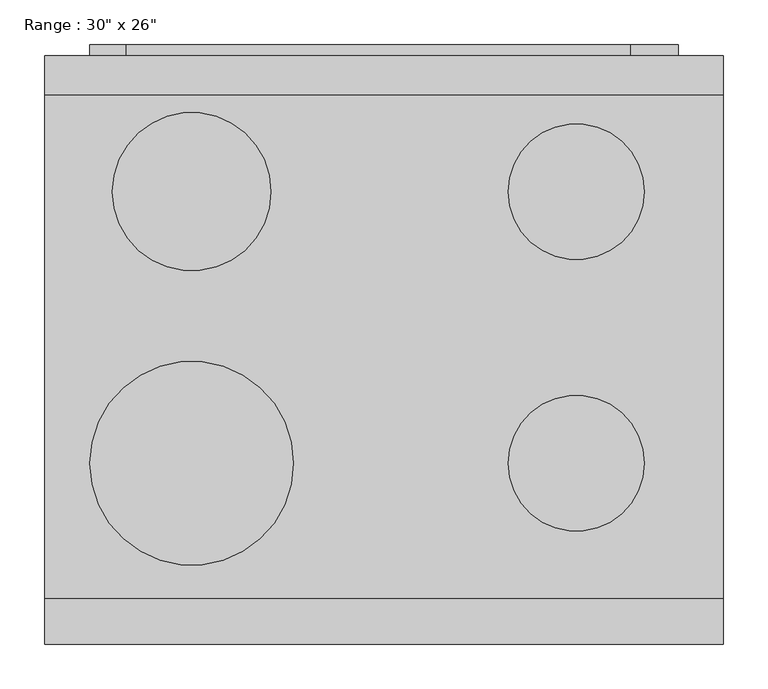
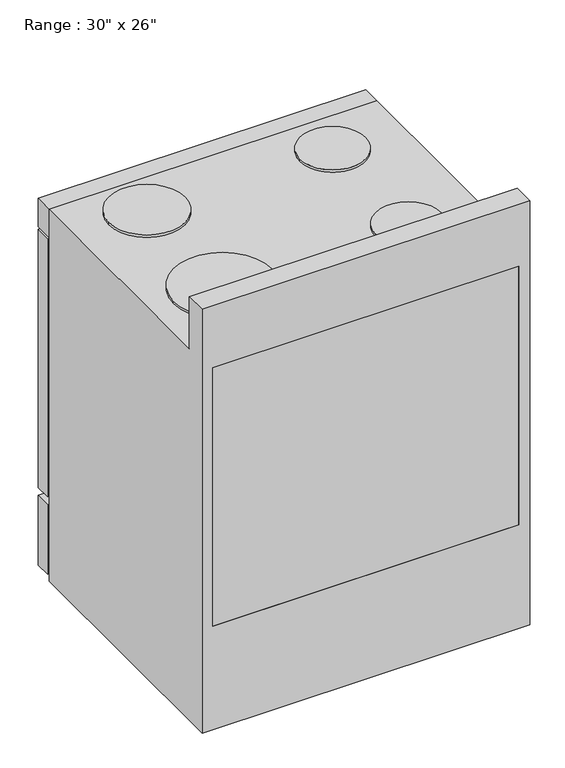
"""IFC4 building model written with IfcOpenShell, lengths in millimetres: proxy geometry."""

import ifcopenshell
import ifcopenshell.guid

model = None  # the IFC model being written
_history = None  # IfcOwnerHistory: only IFC2X3 demands one
_inside = {}  # id of a spatial element -> (the spatial element, [elements in it])
_under = {}  # id of a project, library or spatial element -> (it, [spatial elements below it])
_declared = {}  # id of a project -> (the project, [libraries it declares])
_typed = {}  # id of a type object -> (the type object, [elements of that type])
_made_of = {}  # id of a material, layer set ... -> (it, [elements and type objects made of it])


def new_model(schema):
    """Start an empty IFC model of exactly this schema.

    Asked for "IFC4X3", IfcOpenShell would pick the latest addendum, in which some entities
    have other attributes; the version numbers below select the first issue.
    IFC2X3 requires an IfcOwnerHistory on every rooted entity: one is made here for all.
    """
    global model, _history
    if schema == "IFC4X3":
        model = ifcopenshell.file(schema_version=(4, 3, 0, 0))
    else:
        model = ifcopenshell.file(schema=schema)
    _inside.clear()
    _under.clear()
    _declared.clear()
    _typed.clear()
    _made_of.clear()
    _history = None
    if model.schema == "IFC2X3":
        org = make("IfcOrganization", Name="unknown")
        user = make(
            "IfcPersonAndOrganization",
            ThePerson=make("IfcPerson", FamilyName="unknown"),
            TheOrganization=org,
        )
        app = make(
            "IfcApplication",
            ApplicationDeveloper=org,
            Version="unknown",
            ApplicationFullName="unknown",
            ApplicationIdentifier="unknown",
        )
        _history = make(
            "IfcOwnerHistory",
            OwningUser=user,
            OwningApplication=app,
            ChangeAction="ADDED",
            CreationDate=0,
        )
    return model


def make(cls, **values):
    """One entity of the class cls with the attributes given. An attribute that is None is left unset."""
    return model.create_entity(
        cls, **{name: value for name, value in values.items() if value is not None}
    )


def rooted(cls, **values):
    """An entity with a GlobalId (a new one), such as an element, a storey or a relation."""
    return make(cls, GlobalId=ifcopenshell.guid.new(), OwnerHistory=_history, **values)


def si_unit(unit_type, name, prefix=None):
    """IfcSIUnit, for example si_unit("LENGTHUNIT", "METRE", prefix="MILLI")."""
    return make("IfcSIUnit", UnitType=unit_type, Prefix=prefix, Name=name)


def assignment(units):
    """IfcUnitAssignment: the units of a project."""
    return None if units is None else make("IfcUnitAssignment", Units=units)


def point(xyz):
    """IfcCartesianPoint."""
    return None if xyz is None else make("IfcCartesianPoint", Coordinates=xyz)


def direction(xyz):
    """IfcDirection."""
    return None if xyz is None else make("IfcDirection", DirectionRatios=xyz)


def frame(location, z_axis=None, x_axis=None):
    """IfcAxis2Placement3D, a coordinate frame: its origin and axes. An axis left out is left unset."""
    return make(
        "IfcAxis2Placement3D",
        Location=point(location),
        Axis=direction(z_axis),
        RefDirection=direction(x_axis),
    )


def frame_2d(location, x_axis=None):
    """IfcAxis2Placement2D, a coordinate frame in the plane: its origin and x axis."""
    return make(
        "IfcAxis2Placement2D", Location=point(location), RefDirection=direction(x_axis)
    )


def origin():
    """The frame at (0, 0, 0) with its axes left unset."""
    return frame((0.0, 0.0, 0.0))


def place(relative_to, where):
    """IfcLocalPlacement: puts the frame where relative to a parent placement (None: the world)."""
    return make(
        "IfcLocalPlacement", PlacementRelTo=relative_to, RelativePlacement=where
    )


def context(
    kind, dimensions, precision=None, world=None, true_north=None, identifier=None
):
    """IfcGeometricRepresentationContext, for example the 3D "Model" context."""
    return make(
        "IfcGeometricRepresentationContext",
        ContextIdentifier=identifier,
        ContextType=kind,
        CoordinateSpaceDimension=dimensions,
        Precision=precision,
        WorldCoordinateSystem=world,
        TrueNorth=true_north,
    )


def project(units=None, contexts=None):
    """IfcProject with its units and contexts."""
    return rooted(
        "IfcProject",
        Name="project",
        RepresentationContexts=contexts,
        UnitsInContext=assignment(units),
    )


def spatial(cls, under=None, at=None, **own):
    """A site, building, storey or space (cls), placed at a placement, below another one or the project."""
    s = rooted(cls, ObjectPlacement=at, **own)
    if under is not None:
        _under.setdefault(under.id(), (under, []))[1].append(s)
    return s


def polyline(points):
    """IfcPolyline through the points."""
    return make("IfcPolyline", Points=[point(p) for p in points])


def circle_curve(where, radius):
    """IfcCircle in the frame where."""
    return make("IfcCircle", Position=where, Radius=radius)


def trimmed(basis, trim1, trim2, sense, master):
    """IfcTrimmedCurve: the piece of a basis curve between two trims."""
    return make(
        "IfcTrimmedCurve",
        BasisCurve=basis,
        Trim1=trim1,
        Trim2=trim2,
        SenseAgreement=sense,
        MasterRepresentation=master,
    )


def segment(curve, same_sense, transition):
    """IfcCompositeCurveSegment."""
    return make(
        "IfcCompositeCurveSegment",
        Transition=transition,
        SameSense=same_sense,
        ParentCurve=curve,
    )


def composite_curve(segments, self_intersect=None):
    """IfcCompositeCurve: segments joined end to end."""
    return make("IfcCompositeCurve", Segments=segments, SelfIntersect=self_intersect)


def outline(outer, holes=None, kind="AREA"):
    """IfcArbitraryClosedProfileDef: a profile drawn as a closed curve; with holes, ...WithVoids."""
    if holes is None:
        return make("IfcArbitraryClosedProfileDef", ProfileType=kind, OuterCurve=outer)
    return make(
        "IfcArbitraryProfileDefWithVoids",
        ProfileType=kind,
        OuterCurve=outer,
        InnerCurves=holes,
    )


def extrude(swept, where, along, depth):
    """IfcExtrudedAreaSolid: the profile swept, set in the frame where, extruded along a direction by depth."""
    return make(
        "IfcExtrudedAreaSolid",
        SweptArea=swept,
        Position=where,
        ExtrudedDirection=direction(along),
        Depth=depth,
    )


def faces_of(points, faces, orient=None, outer=None):
    """IfcFace entities. A face is a list of loops; a loop is a list of indices into points, from 0.

    orient and outer hold one flag for each loop. By default every Orientation is true, the
    first loop of a face is its IfcFaceOuterBound and the others are IfcFaceBound.
    """
    made = []
    for i, loops in enumerate(faces):
        bounds = []
        for j, loop in enumerate(loops):
            is_outer = j == 0 if outer is None else outer[i][j]
            bounds.append(
                make(
                    "IfcFaceOuterBound" if is_outer else "IfcFaceBound",
                    Bound=make("IfcPolyLoop", Polygon=[points[k] for k in loop]),
                    Orientation=True if orient is None else orient[i][j],
                )
            )
        made.append(make("IfcFace", Bounds=bounds))
    return made


def faceted_brep(points, faces, orient=None, outer=None, voids=None):
    """IfcFacetedBrep: a solid bounded by flat faces; with voids (closed shells), ...WithVoids."""
    shared = [point(p) for p in points]
    hull = make("IfcClosedShell", CfsFaces=faces_of(shared, faces, orient, outer))
    if voids is None:
        return make("IfcFacetedBrep", Outer=hull)
    return make(
        "IfcFacetedBrepWithVoids",
        Outer=hull,
        Voids=[
            make(cls, CfsFaces=faces_of(shared, fs, o, b)) for cls, fs, o, b in voids
        ],
    )


def shape(context_of_items, identifier, shape_type, items):
    """IfcShapeRepresentation: the items that make up one representation, for example the "Body"."""
    return make(
        "IfcShapeRepresentation",
        ContextOfItems=context_of_items,
        RepresentationIdentifier=identifier,
        RepresentationType=shape_type,
        Items=items,
    )


def source(mapping_origin, context_of_items, identifier, shape_type, items):
    """IfcRepresentationMap: a shape defined once, which mapped items show again and again."""
    return make(
        "IfcRepresentationMap",
        MappingOrigin=mapping_origin,
        MappedRepresentation=shape(context_of_items, identifier, shape_type, items),
    )


def transform(
    local_origin,
    x_axis=None,
    y_axis=None,
    z_axis=None,
    scale=None,
    scale2=None,
    scale3=None,
    uniform=True,
):
    """IfcCartesianTransformationOperator3D, or its non-uniform kind. x_axis, y_axis, z_axis: its Axis1, 2, 3."""
    if uniform:
        return make(
            "IfcCartesianTransformationOperator3D",
            Axis1=direction(x_axis),
            Axis2=direction(y_axis),
            LocalOrigin=point(local_origin),
            Scale=scale,
            Axis3=direction(z_axis),
        )
    return make(
        "IfcCartesianTransformationOperator3DnonUniform",
        Axis1=direction(x_axis),
        Axis2=direction(y_axis),
        LocalOrigin=point(local_origin),
        Scale=scale,
        Axis3=direction(z_axis),
        Scale2=scale2,
        Scale3=scale3,
    )


def mapped(mapping_source, mapping_target):
    """IfcMappedItem: shows the shape of a source again, moved by a transform."""
    return make(
        "IfcMappedItem", MappingSource=mapping_source, MappingTarget=mapping_target
    )


def made_of(thing, what):
    """Note that an element or type object is made of a material, layer set ...; save() writes the relation."""
    if what is not None:
        _made_of.setdefault(what.id(), (what, []))[1].append(thing)
    return thing


def element(
    cls,
    number,
    at=None,
    inside=None,
    cuts=None,
    type_object=None,
    material=None,
    context=None,
    identifier="Body",
    shape_type=None,
    held_by="IfcProductDefinitionShape",
    body=None,
    shapes=None,
    **own,
):
    """One element of the class cls, such as IfcWall. Its Tag is "e" and its number.

    at: its placement. inside: the storey or other place that contains it. cuts: it is an
    opening in that element (IfcRelVoidsElement). A single representation is given by context,
    identifier, shape_type and body (its items); several are given by shapes. held_by: the class
    of the entity that holds the representations. save() writes the other relations.
    """
    e = rooted(cls, Tag="e%d" % number, ObjectPlacement=at, **own)
    if body is not None:
        shapes = [shape(context, identifier, shape_type, body)]
    if shapes is not None:
        e.Representation = make(held_by, Representations=shapes)
    if inside is not None:
        _inside.setdefault(inside.id(), (inside, []))[1].append(e)
    if cuts is not None:
        rooted(
            "IfcRelVoidsElement", RelatingBuildingElement=cuts, RelatedOpeningElement=e
        )
    if type_object is not None:
        _typed.setdefault(type_object.id(), (type_object, []))[1].append(e)
    return made_of(e, material)


def aggregate(whole, parts):
    """IfcRelAggregates: a whole, such as a stair, and the parts it consists of."""
    return rooted("IfcRelAggregates", RelatingObject=whole, RelatedObjects=parts)


def save(model, path):
    """Write the relations noted so far, then the file.

    IfcRelAggregates (storeys below a building ...), IfcRelContainedInSpatialStructure (elements
    in a storey), IfcRelDefinesByType, IfcRelAssociatesMaterial and IfcRelDeclares: one each for
    every whole, place, type object, material and project.
    """
    for whole, parts in _under.values():
        aggregate(whole, parts)
    for where, things in _inside.values():
        rooted(
            "IfcRelContainedInSpatialStructure",
            RelatedElements=things,
            RelatingStructure=where,
        )
    for kind, things in _typed.values():
        rooted("IfcRelDefinesByType", RelatedObjects=things, RelatingType=kind)
    for what, things in _made_of.values():
        rooted("IfcRelAssociatesMaterial", RelatedObjects=things, RelatingMaterial=what)
    for by, libraries in _declared.values():
        rooted("IfcRelDeclares", RelatingContext=by, RelatedDefinitions=libraries)
    model.write(path)


def proxy_b68f827a(model_context):
    return source(origin(), model_context, "Body", "SolidModel", [
        faceted_brep([(762.0, -660.4, 0.0), (762.0, -660.4, 1041.4), (0.0, -660.4, 1041.4), (0.0, -660.4, 0.0), (736.6, -660.4, 889.2220355), (736.6, -660.4, 254.0), (25.4, -660.4, 254.0), (25.4, -660.4, 889.2220355), (762.0, -44.45, 914.4), (762.0, -44.45, 0.0), (0.0, -44.45, 0.0), (0.0, -44.45, 914.4), (736.6, -44.45, 889.2220355), (25.4, -44.45, 889.2220355), (25.4, -44.45, 254.0), (736.6, -44.45, 254.0), (762.0, -609.6, 914.4), (762.0, -609.6, 1041.4), (0.0, -609.6, 1041.4), (0.0, -609.6, 914.4)], [[[0, 1, 2, 3], [4, 5, 6, 7]], [[8, 9, 10, 11], [12, 13, 14, 15]], [[0, 9, 8, 16, 17, 1]], [[3, 10, 9, 0]], [[2, 18, 19, 11, 10, 3]], [[11, 19, 16, 8]], [[7, 13, 12, 4]], [[6, 14, 13, 7]], [[5, 15, 14, 6]], [[4, 12, 15, 5]], [[17, 18, 2, 1]], [[16, 19, 18, 17]]]),
        extrude(outline(polyline([(657.225, 12.7), (657.225, 0.0), (91.687309, 0.0), (91.687309, 12.7), (657.225, 12.7)])), frame((0.0, 0.0, 791.2768639), z_axis=(0.0, 0.0, 1.0), x_axis=(1.0, 0.0, 0.0)), (0.0, 0.0, 1.0), 19.05),
        extrude(outline(polyline([(673.1, -12.7), (673.1, -19.05), (76.2, -19.05), (76.2, -12.7), (673.1, -12.7)])), frame((0.0, 0.0, 330.2), z_axis=(0.0, 0.0, 1.0), x_axis=(1.0, 0.0, 0.0)), (0.0, 0.0, 1.0), 406.4),
        extrude(outline(polyline([(762.0, 0.0), (762.0, -44.45), (0.0, -44.45), (0.0, 0.0), (762.0, 0.0)])), frame((0.0, 0.0, 844.7720355), z_axis=(0.0, 0.0, 1.0), x_axis=(1.0, 0.0, 0.0)), (0.0, 0.0, 1.0), 69.6279645),
        extrude(outline(polyline([(762.0, 711.2), (762.0, 50.8), (304.8, 50.8), (304.8, 711.2), (762.0, 711.2)]), holes=[polyline([(736.6, 685.8), (330.2, 685.8), (330.2, 76.2), (736.6, 76.2), (736.6, 685.8)])]), frame((0.0, -25.4, 0.0), z_axis=(0.0, 1.0, 0.0), x_axis=(0.0, 0.0, 1.0)), (0.0, 0.0, 1.0), 38.1),
        extrude(outline(composite_curve([segment(trimmed(circle_curve(frame_2d((165.1, -457.2)), 114.3), [point((50.8, -457.2))], [point((279.4, -457.2))], False, "CARTESIAN"), True, "CONTINUOUS"), segment(trimmed(circle_curve(frame_2d((165.1, -457.2)), 114.3), [point((279.4, -457.2))], [point((50.8, -457.2))], False, "CARTESIAN"), True, "CONTINUOUS")], self_intersect=False)), frame((0.0, 0.0, 914.4), z_axis=(0.0, 0.0, 1.0), x_axis=(1.0, 0.0, 0.0)), (0.0, 0.0, 1.0), 6.35),
        extrude(outline(composite_curve([segment(trimmed(circle_curve(frame_2d((596.9, -457.2)), 76.2), [point((520.7, -457.2))], [point((673.1, -457.2))], False, "CARTESIAN"), True, "CONTINUOUS"), segment(trimmed(circle_curve(frame_2d((596.9, -457.2)), 76.2), [point((673.1, -457.2))], [point((520.7, -457.2))], False, "CARTESIAN"), True, "CONTINUOUS")], self_intersect=False)), frame((0.0, 0.0, 914.4), z_axis=(0.0, 0.0, 1.0), x_axis=(1.0, 0.0, 0.0)), (0.0, 0.0, 1.0), 6.35),
        extrude(outline(composite_curve([segment(trimmed(circle_curve(frame_2d((596.9, -152.4)), 76.2), [point((520.7, -152.4))], [point((673.1, -152.4))], False, "CARTESIAN"), True, "CONTINUOUS"), segment(trimmed(circle_curve(frame_2d((596.9, -152.4)), 76.2), [point((673.1, -152.4))], [point((520.7, -152.4))], False, "CARTESIAN"), True, "CONTINUOUS")], self_intersect=False)), frame((0.0, 0.0, 914.4), z_axis=(0.0, 0.0, 1.0), x_axis=(1.0, 0.0, 0.0)), (0.0, 0.0, 1.0), 6.35),
        extrude(outline(composite_curve([segment(trimmed(circle_curve(frame_2d((165.1, -152.4)), 88.9), [point((76.2, -152.4))], [point((254.0, -152.4))], False, "CARTESIAN"), True, "CONTINUOUS"), segment(trimmed(circle_curve(frame_2d((165.1, -152.4)), 88.9), [point((254.0, -152.4))], [point((76.2, -152.4))], False, "CARTESIAN"), True, "CONTINUOUS")], self_intersect=False)), frame((0.0, 0.0, 914.4), z_axis=(0.0, 0.0, 1.0), x_axis=(1.0, 0.0, 0.0)), (0.0, 0.0, 1.0), 6.35),
        extrude(outline(polyline([(25.4, -660.4), (25.4, -635.0), (736.6, -635.0), (736.6, -660.4), (25.4, -660.4)])), frame((0.0, 0.0, 254.0), z_axis=(0.0, 0.0, 1.0), x_axis=(1.0, 0.0, 0.0)), (0.0, 0.0, 1.0), 635.2220355),
        extrude(outline(polyline([(838.4220355, 762.0), (838.4220355, 0.0), (203.2, 0.0), (203.2, 762.0), (838.4220355, 762.0)]), holes=[polyline([(762.0, 711.2), (304.8, 711.2), (304.8, 50.8), (762.0, 50.8), (762.0, 711.2)])]), frame((0.0, -38.1, 0.0), z_axis=(0.0, 1.0, 0.0), x_axis=(0.0, 0.0, 1.0)), (0.0, 0.0, 1.0), 38.1),
        extrude(outline(polyline([(762.0, 0.0), (762.0, -38.1), (0.0, -38.1), (0.0, 0.0), (762.0, 0.0)])), frame((0.0, 0.0, 12.7), z_axis=(0.0, 0.0, 1.0), x_axis=(1.0, 0.0, 0.0)), (0.0, 0.0, 1.0), 171.45),
    ])


if __name__ == "__main__":
    model = new_model("IFC4")
    model_context = context("Model", 3, world=origin())
    ifc_project = project(units=[si_unit("LENGTHUNIT", "METRE", prefix="MILLI")], contexts=[model_context])
    site = spatial("IfcSite", under=ifc_project)
    building = spatial("IfcBuilding", under=site)
    placement = place(None, origin())
    proxy_shape = proxy_b68f827a(model_context)
    element("IfcBuildingElementProxy", 1, Name="Range : 30\" x 26\"", ObjectType="Range : 30\" x 26\"", at=placement, inside=building, context=model_context, shape_type="MappedRepresentation", body=[
        mapped(proxy_shape, transform((0.0, 0.0, 0.0), x_axis=(1.0, 0.0, 0.0), y_axis=(0.0, 1.0, 0.0), z_axis=(0.0, 0.0, 1.0))),
    ])
    save(model, "model.ifc")
